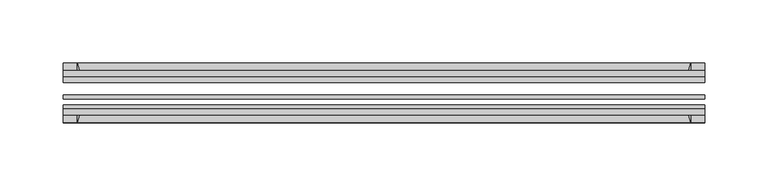
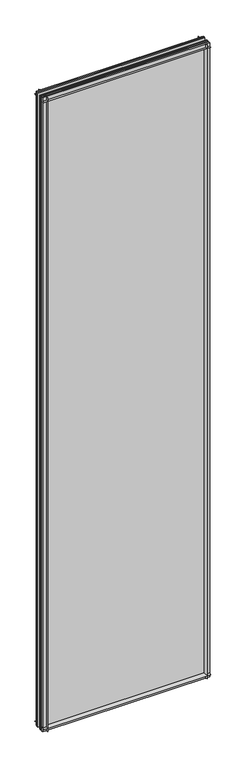
"""IFC4 building model written with IfcOpenShell, lengths in millimetres: plate geometry."""

import ifcopenshell
import ifcopenshell.guid

model = None  # the IFC model being written
_history = None  # IfcOwnerHistory: only IFC2X3 demands one
_inside = {}  # id of a spatial element -> (the spatial element, [elements in it])
_under = {}  # id of a project, library or spatial element -> (it, [spatial elements below it])
_declared = {}  # id of a project -> (the project, [libraries it declares])
_typed = {}  # id of a type object -> (the type object, [elements of that type])
_made_of = {}  # id of a material, layer set ... -> (it, [elements and type objects made of it])


def new_model(schema):
    """Start an empty IFC model of exactly this schema.

    Asked for "IFC4X3", IfcOpenShell would pick the latest addendum, in which some entities
    have other attributes; the version numbers below select the first issue.
    IFC2X3 requires an IfcOwnerHistory on every rooted entity: one is made here for all.
    """
    global model, _history
    if schema == "IFC4X3":
        model = ifcopenshell.file(schema_version=(4, 3, 0, 0))
    else:
        model = ifcopenshell.file(schema=schema)
    _inside.clear()
    _under.clear()
    _declared.clear()
    _typed.clear()
    _made_of.clear()
    _history = None
    if model.schema == "IFC2X3":
        org = make("IfcOrganization", Name="unknown")
        user = make(
            "IfcPersonAndOrganization",
            ThePerson=make("IfcPerson", FamilyName="unknown"),
            TheOrganization=org,
        )
        app = make(
            "IfcApplication",
            ApplicationDeveloper=org,
            Version="unknown",
            ApplicationFullName="unknown",
            ApplicationIdentifier="unknown",
        )
        _history = make(
            "IfcOwnerHistory",
            OwningUser=user,
            OwningApplication=app,
            ChangeAction="ADDED",
            CreationDate=0,
        )
    return model


def make(cls, **values):
    """One entity of the class cls with the attributes given. An attribute that is None is left unset."""
    return model.create_entity(
        cls, **{name: value for name, value in values.items() if value is not None}
    )


def rooted(cls, **values):
    """An entity with a GlobalId (a new one), such as an element, a storey or a relation."""
    return make(cls, GlobalId=ifcopenshell.guid.new(), OwnerHistory=_history, **values)


def si_unit(unit_type, name, prefix=None):
    """IfcSIUnit, for example si_unit("LENGTHUNIT", "METRE", prefix="MILLI")."""
    return make("IfcSIUnit", UnitType=unit_type, Prefix=prefix, Name=name)


def assignment(units):
    """IfcUnitAssignment: the units of a project."""
    return None if units is None else make("IfcUnitAssignment", Units=units)


def point(xyz):
    """IfcCartesianPoint."""
    return None if xyz is None else make("IfcCartesianPoint", Coordinates=xyz)


def direction(xyz):
    """IfcDirection."""
    return None if xyz is None else make("IfcDirection", DirectionRatios=xyz)


def frame(location, z_axis=None, x_axis=None):
    """IfcAxis2Placement3D, a coordinate frame: its origin and axes. An axis left out is left unset."""
    return make(
        "IfcAxis2Placement3D",
        Location=point(location),
        Axis=direction(z_axis),
        RefDirection=direction(x_axis),
    )


def frame_2d(location, x_axis=None):
    """IfcAxis2Placement2D, a coordinate frame in the plane: its origin and x axis."""
    return make(
        "IfcAxis2Placement2D", Location=point(location), RefDirection=direction(x_axis)
    )


def origin():
    """The frame at (0, 0, 0) with its axes left unset."""
    return frame((0.0, 0.0, 0.0))


def place(relative_to, where):
    """IfcLocalPlacement: puts the frame where relative to a parent placement (None: the world)."""
    return make(
        "IfcLocalPlacement", PlacementRelTo=relative_to, RelativePlacement=where
    )


def context(
    kind, dimensions, precision=None, world=None, true_north=None, identifier=None
):
    """IfcGeometricRepresentationContext, for example the 3D "Model" context."""
    return make(
        "IfcGeometricRepresentationContext",
        ContextIdentifier=identifier,
        ContextType=kind,
        CoordinateSpaceDimension=dimensions,
        Precision=precision,
        WorldCoordinateSystem=world,
        TrueNorth=true_north,
    )


def project(units=None, contexts=None):
    """IfcProject with its units and contexts."""
    return rooted(
        "IfcProject",
        Name="project",
        RepresentationContexts=contexts,
        UnitsInContext=assignment(units),
    )


def spatial(cls, under=None, at=None, **own):
    """A site, building, storey or space (cls), placed at a placement, below another one or the project."""
    s = rooted(cls, ObjectPlacement=at, **own)
    if under is not None:
        _under.setdefault(under.id(), (under, []))[1].append(s)
    return s


def polyline(points):
    """IfcPolyline through the points."""
    return make("IfcPolyline", Points=[point(p) for p in points])


def circle_curve(where, radius):
    """IfcCircle in the frame where."""
    return make("IfcCircle", Position=where, Radius=radius)


def trimmed(basis, trim1, trim2, sense, master):
    """IfcTrimmedCurve: the piece of a basis curve between two trims."""
    return make(
        "IfcTrimmedCurve",
        BasisCurve=basis,
        Trim1=trim1,
        Trim2=trim2,
        SenseAgreement=sense,
        MasterRepresentation=master,
    )


def segment(curve, same_sense, transition):
    """IfcCompositeCurveSegment."""
    return make(
        "IfcCompositeCurveSegment",
        Transition=transition,
        SameSense=same_sense,
        ParentCurve=curve,
    )


def composite_curve(segments, self_intersect=None):
    """IfcCompositeCurve: segments joined end to end."""
    return make("IfcCompositeCurve", Segments=segments, SelfIntersect=self_intersect)


def outline(outer, holes=None, kind="AREA"):
    """IfcArbitraryClosedProfileDef: a profile drawn as a closed curve; with holes, ...WithVoids."""
    if holes is None:
        return make("IfcArbitraryClosedProfileDef", ProfileType=kind, OuterCurve=outer)
    return make(
        "IfcArbitraryProfileDefWithVoids",
        ProfileType=kind,
        OuterCurve=outer,
        InnerCurves=holes,
    )


def extrude(swept, where, along, depth):
    """IfcExtrudedAreaSolid: the profile swept, set in the frame where, extruded along a direction by depth."""
    return make(
        "IfcExtrudedAreaSolid",
        SweptArea=swept,
        Position=where,
        ExtrudedDirection=direction(along),
        Depth=depth,
    )


def shape(context_of_items, identifier, shape_type, items):
    """IfcShapeRepresentation: the items that make up one representation, for example the "Body"."""
    return make(
        "IfcShapeRepresentation",
        ContextOfItems=context_of_items,
        RepresentationIdentifier=identifier,
        RepresentationType=shape_type,
        Items=items,
    )


def source(mapping_origin, context_of_items, identifier, shape_type, items):
    """IfcRepresentationMap: a shape defined once, which mapped items show again and again."""
    return make(
        "IfcRepresentationMap",
        MappingOrigin=mapping_origin,
        MappedRepresentation=shape(context_of_items, identifier, shape_type, items),
    )


def transform(
    local_origin,
    x_axis=None,
    y_axis=None,
    z_axis=None,
    scale=None,
    scale2=None,
    scale3=None,
    uniform=True,
):
    """IfcCartesianTransformationOperator3D, or its non-uniform kind. x_axis, y_axis, z_axis: its Axis1, 2, 3."""
    if uniform:
        return make(
            "IfcCartesianTransformationOperator3D",
            Axis1=direction(x_axis),
            Axis2=direction(y_axis),
            LocalOrigin=point(local_origin),
            Scale=scale,
            Axis3=direction(z_axis),
        )
    return make(
        "IfcCartesianTransformationOperator3DnonUniform",
        Axis1=direction(x_axis),
        Axis2=direction(y_axis),
        LocalOrigin=point(local_origin),
        Scale=scale,
        Axis3=direction(z_axis),
        Scale2=scale2,
        Scale3=scale3,
    )


def mapped(mapping_source, mapping_target):
    """IfcMappedItem: shows the shape of a source again, moved by a transform."""
    return make(
        "IfcMappedItem", MappingSource=mapping_source, MappingTarget=mapping_target
    )


def made_of(thing, what):
    """Note that an element or type object is made of a material, layer set ...; save() writes the relation."""
    if what is not None:
        _made_of.setdefault(what.id(), (what, []))[1].append(thing)
    return thing


def element(
    cls,
    number,
    at=None,
    inside=None,
    cuts=None,
    type_object=None,
    material=None,
    context=None,
    identifier="Body",
    shape_type=None,
    held_by="IfcProductDefinitionShape",
    body=None,
    shapes=None,
    **own,
):
    """One element of the class cls, such as IfcWall. Its Tag is "e" and its number.

    at: its placement. inside: the storey or other place that contains it. cuts: it is an
    opening in that element (IfcRelVoidsElement). A single representation is given by context,
    identifier, shape_type and body (its items); several are given by shapes. held_by: the class
    of the entity that holds the representations. save() writes the other relations.
    """
    e = rooted(cls, Tag="e%d" % number, ObjectPlacement=at, **own)
    if body is not None:
        shapes = [shape(context, identifier, shape_type, body)]
    if shapes is not None:
        e.Representation = make(held_by, Representations=shapes)
    if inside is not None:
        _inside.setdefault(inside.id(), (inside, []))[1].append(e)
    if cuts is not None:
        rooted(
            "IfcRelVoidsElement", RelatingBuildingElement=cuts, RelatedOpeningElement=e
        )
    if type_object is not None:
        _typed.setdefault(type_object.id(), (type_object, []))[1].append(e)
    return made_of(e, material)


def aggregate(whole, parts):
    """IfcRelAggregates: a whole, such as a stair, and the parts it consists of."""
    return rooted("IfcRelAggregates", RelatingObject=whole, RelatedObjects=parts)


def save(model, path):
    """Write the relations noted so far, then the file.

    IfcRelAggregates (storeys below a building ...), IfcRelContainedInSpatialStructure (elements
    in a storey), IfcRelDefinesByType, IfcRelAssociatesMaterial and IfcRelDeclares: one each for
    every whole, place, type object, material and project.
    """
    for whole, parts in _under.values():
        aggregate(whole, parts)
    for where, things in _inside.values():
        rooted(
            "IfcRelContainedInSpatialStructure",
            RelatedElements=things,
            RelatingStructure=where,
        )
    for kind, things in _typed.values():
        rooted("IfcRelDefinesByType", RelatedObjects=things, RelatingType=kind)
    for what, things in _made_of.values():
        rooted("IfcRelAssociatesMaterial", RelatedObjects=things, RelatingMaterial=what)
    for by, libraries in _declared.values():
        rooted("IfcRelDeclares", RelatingContext=by, RelatedDefinitions=libraries)
    model.write(path)


def plate_a6fe0a1a(model_context):
    return source(origin(), model_context, "Body", "SweptSolid", [
        extrude(outline(composite_curve([segment(polyline([(-74.653775, 0.0), (-80.586498, 0.0)]), True, "CONTINUOUS"), segment(trimmed(circle_curve(frame_2d((-86.2543953, 32.273404)), 32.7673262), [point((-80.586498, 0.0))], [point((-69.878575, 3.8915405))], True, "CARTESIAN"), True, "CONTINUOUS"), segment(polyline([(-69.878575, 3.8915405), (-69.878575, -10.31875), (-74.653775, -10.31875), (-74.653775, 0.0)]), True, "CONTINUOUS")], self_intersect=False)), frame((-253.20625, 0.0, 0.0), z_axis=(1.0, 0.0, 0.0), x_axis=(0.0, 1.0, 0.0)), (0.0, 0.0, 1.0), 506.4125),
        extrude(outline(composite_curve([segment(polyline([(-44.478575, -10.31875), (-44.478575, 3.8915405)]), True, "CONTINUOUS"), segment(trimmed(circle_curve(frame_2d((-28.1027547, 32.273404)), 32.7673262), [point((-44.478575, 3.8915405))], [point((-33.770652, 0.0))], True, "CARTESIAN"), True, "CONTINUOUS"), segment(polyline([(-33.770652, 0.0), (-39.703375, 0.0), (-39.703375, -10.31875), (-44.478575, -10.31875)]), True, "CONTINUOUS")], self_intersect=False)), frame((-253.20625, 0.0, 0.0), z_axis=(1.0, 0.0, 0.0), x_axis=(0.0, 1.0, 0.0)), (0.0, 0.0, 1.0), 506.4125),
        extrude(outline(composite_curve([segment(trimmed(circle_curve(frame_2d((-86.2543953, 1977.495246)), 32.7673262), [point((-69.878575, 2005.8771095))], [point((-80.622775, 2009.775))], True, "CARTESIAN"), True, "CONTINUOUS"), segment(polyline([(-80.622775, 2009.775), (-74.653775, 2009.775), (-74.653775, 2020.8875), (-69.878575, 2020.8875), (-69.878575, 2005.8771095)]), True, "CONTINUOUS")], self_intersect=False)), frame((-253.20625, 0.0, 0.0), z_axis=(1.0, 0.0, 0.0), x_axis=(0.0, 1.0, 0.0)), (0.0, 0.0, 1.0), 506.4125),
        extrude(outline(composite_curve([segment(polyline([(-44.478575, 2005.8771095), (-44.478575, 2020.8875), (-39.703375, 2020.8875), (-39.703375, 2009.775), (-33.734375, 2009.775)]), True, "CONTINUOUS"), segment(trimmed(circle_curve(frame_2d((-28.1027547, 1977.495246)), 32.7673262), [point((-33.734375, 2009.775))], [point((-44.478575, 2005.8771095))], True, "CARTESIAN"), True, "CONTINUOUS")], self_intersect=False)), frame((-253.20625, 0.0, 0.0), z_axis=(1.0, 0.0, 0.0), x_axis=(0.0, 1.0, 0.0)), (0.0, 0.0, 1.0), 506.4125),
        extrude(outline(composite_curve([segment(polyline([(238.1958595, -69.878575), (253.20625, -69.878575), (253.20625, -74.653775), (242.09375, -74.653775), (242.09375, -80.622775)]), True, "CONTINUOUS"), segment(trimmed(circle_curve(frame_2d((209.813996, -86.2543953)), 32.7673262), [point((242.09375, -80.622775))], [point((238.1958595, -69.878575))], True, "CARTESIAN"), True, "CONTINUOUS")], self_intersect=False)), frame((0.0, 0.0, -10.31875), z_axis=(0.0, 0.0, 1.0), x_axis=(1.0, 0.0, 0.0)), (0.0, 0.0, 1.0), 2031.20625),
        extrude(outline(composite_curve([segment(trimmed(circle_curve(frame_2d((209.813996, -28.1027547)), 32.7673262), [point((238.1958595, -44.478575))], [point((242.09375, -33.734375))], True, "CARTESIAN"), True, "CONTINUOUS"), segment(polyline([(242.09375, -33.734375), (242.09375, -39.703375), (253.20625, -39.703375), (253.20625, -44.478575), (238.1958595, -44.478575)]), True, "CONTINUOUS")], self_intersect=False)), frame((0.0, 0.0, -10.31875), z_axis=(0.0, 0.0, 1.0), x_axis=(1.0, 0.0, 0.0)), (0.0, 0.0, 1.0), 2031.20625),
        extrude(outline(composite_curve([segment(trimmed(circle_curve(frame_2d((-209.813996, -86.2543953)), 32.7673262), [point((-238.1958595, -69.878575))], [point((-242.09375, -80.622775))], True, "CARTESIAN"), True, "CONTINUOUS"), segment(polyline([(-242.09375, -80.622775), (-242.09375, -74.653775), (-253.20625, -74.653775), (-253.20625, -69.878575), (-238.1958595, -69.878575)]), True, "CONTINUOUS")], self_intersect=False)), frame((0.0, 0.0, -10.31875), z_axis=(0.0, 0.0, 1.0), x_axis=(1.0, 0.0, 0.0)), (0.0, 0.0, 1.0), 2031.20625),
        extrude(outline(composite_curve([segment(polyline([(-238.1958595, -44.478575), (-253.20625, -44.478575), (-253.20625, -39.703375), (-242.09375, -39.703375), (-242.09375, -33.734375)]), True, "CONTINUOUS"), segment(trimmed(circle_curve(frame_2d((-209.813996, -28.1027547)), 32.7673262), [point((-242.09375, -33.734375))], [point((-238.1958595, -44.478575))], True, "CARTESIAN"), True, "CONTINUOUS")], self_intersect=False)), frame((0.0, 0.0, -10.31875), z_axis=(0.0, 0.0, 1.0), x_axis=(1.0, 0.0, 0.0)), (0.0, 0.0, 1.0), 2031.20625),
        extrude(outline(polyline([(-253.20625, -44.478575), (253.20625, -44.478575), (253.20625, -49.241075), (-253.20625, -49.241075), (-253.20625, -44.478575)])), frame((0.0, 0.0, -10.31875), z_axis=(0.0, 0.0, 1.0), x_axis=(1.0, 0.0, 0.0)), (0.0, 0.0, 1.0), 2031.20625),
        extrude(outline(polyline([(253.20625, -58.956575), (253.20625, -62.131575), (-253.20625, -62.131575), (-253.20625, -58.956575), (253.20625, -58.956575)])), frame((0.0, 0.0, -10.31875), z_axis=(0.0, 0.0, 1.0), x_axis=(1.0, 0.0, 0.0)), (0.0, 0.0, 1.0), 2031.20625),
        extrude(outline(polyline([(-253.20625, -66.703575), (253.20625, -66.703575), (253.20625, -69.878575), (-253.20625, -69.878575), (-253.20625, -66.703575)])), frame((0.0, 0.0, -10.31875), z_axis=(0.0, 0.0, 1.0), x_axis=(1.0, 0.0, 0.0)), (0.0, 0.0, 1.0), 2031.20625),
    ])


if __name__ == "__main__":
    model = new_model("IFC4")
    model_context = context("Model", 3, world=origin())
    ifc_project = project(units=[si_unit("LENGTHUNIT", "METRE", prefix="MILLI")], contexts=[model_context])
    site = spatial("IfcSite", under=ifc_project)
    building = spatial("IfcBuilding", under=site)
    placement = place(None, origin())
    plate_shape = plate_a6fe0a1a(model_context)
    element("IfcPlate", 1, at=placement, inside=building, context=model_context, shape_type="MappedRepresentation", body=[
        mapped(plate_shape, transform((0.0, 0.0, 0.0), x_axis=(1.0, 0.0, 0.0), y_axis=(0.0, 1.0, 0.0), z_axis=(0.0, 0.0, 1.0))),
    ])
    save(model, "model.ifc")
